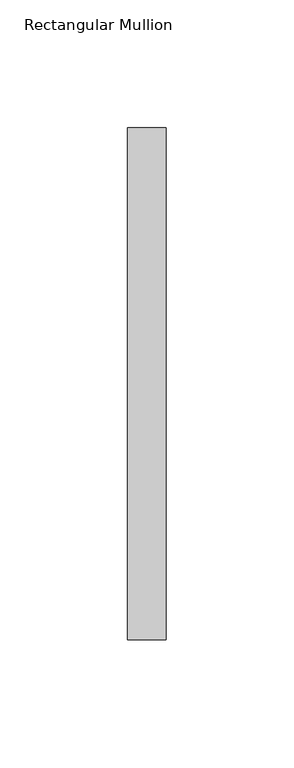
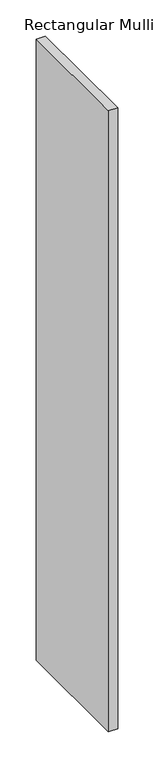
"""IFC4 building model written with IfcOpenShell, lengths in millimetres: member geometry, Rectangular Mullion."""

import ifcopenshell
import ifcopenshell.guid

model = None  # the IFC model being written
_history = None  # IfcOwnerHistory: only IFC2X3 demands one
_inside = {}  # id of a spatial element -> (the spatial element, [elements in it])
_under = {}  # id of a project, library or spatial element -> (it, [spatial elements below it])
_declared = {}  # id of a project -> (the project, [libraries it declares])
_typed = {}  # id of a type object -> (the type object, [elements of that type])
_made_of = {}  # id of a material, layer set ... -> (it, [elements and type objects made of it])


def new_model(schema):
    """Start an empty IFC model of exactly this schema.

    Asked for "IFC4X3", IfcOpenShell would pick the latest addendum, in which some entities
    have other attributes; the version numbers below select the first issue.
    IFC2X3 requires an IfcOwnerHistory on every rooted entity: one is made here for all.
    """
    global model, _history
    if schema == "IFC4X3":
        model = ifcopenshell.file(schema_version=(4, 3, 0, 0))
    else:
        model = ifcopenshell.file(schema=schema)
    _inside.clear()
    _under.clear()
    _declared.clear()
    _typed.clear()
    _made_of.clear()
    _history = None
    if model.schema == "IFC2X3":
        org = make("IfcOrganization", Name="unknown")
        user = make(
            "IfcPersonAndOrganization",
            ThePerson=make("IfcPerson", FamilyName="unknown"),
            TheOrganization=org,
        )
        app = make(
            "IfcApplication",
            ApplicationDeveloper=org,
            Version="unknown",
            ApplicationFullName="unknown",
            ApplicationIdentifier="unknown",
        )
        _history = make(
            "IfcOwnerHistory",
            OwningUser=user,
            OwningApplication=app,
            ChangeAction="ADDED",
            CreationDate=0,
        )
    return model


def make(cls, **values):
    """One entity of the class cls with the attributes given. An attribute that is None is left unset."""
    return model.create_entity(
        cls, **{name: value for name, value in values.items() if value is not None}
    )


def rooted(cls, **values):
    """An entity with a GlobalId (a new one), such as an element, a storey or a relation."""
    return make(cls, GlobalId=ifcopenshell.guid.new(), OwnerHistory=_history, **values)


def si_unit(unit_type, name, prefix=None):
    """IfcSIUnit, for example si_unit("LENGTHUNIT", "METRE", prefix="MILLI")."""
    return make("IfcSIUnit", UnitType=unit_type, Prefix=prefix, Name=name)


def assignment(units):
    """IfcUnitAssignment: the units of a project."""
    return None if units is None else make("IfcUnitAssignment", Units=units)


def point(xyz):
    """IfcCartesianPoint."""
    return None if xyz is None else make("IfcCartesianPoint", Coordinates=xyz)


def direction(xyz):
    """IfcDirection."""
    return None if xyz is None else make("IfcDirection", DirectionRatios=xyz)


def frame(location, z_axis=None, x_axis=None):
    """IfcAxis2Placement3D, a coordinate frame: its origin and axes. An axis left out is left unset."""
    return make(
        "IfcAxis2Placement3D",
        Location=point(location),
        Axis=direction(z_axis),
        RefDirection=direction(x_axis),
    )


def origin():
    """The frame at (0, 0, 0) with its axes left unset."""
    return frame((0.0, 0.0, 0.0))


def place(relative_to, where):
    """IfcLocalPlacement: puts the frame where relative to a parent placement (None: the world)."""
    return make(
        "IfcLocalPlacement", PlacementRelTo=relative_to, RelativePlacement=where
    )


def context(
    kind, dimensions, precision=None, world=None, true_north=None, identifier=None
):
    """IfcGeometricRepresentationContext, for example the 3D "Model" context."""
    return make(
        "IfcGeometricRepresentationContext",
        ContextIdentifier=identifier,
        ContextType=kind,
        CoordinateSpaceDimension=dimensions,
        Precision=precision,
        WorldCoordinateSystem=world,
        TrueNorth=true_north,
    )


def project(units=None, contexts=None):
    """IfcProject with its units and contexts."""
    return rooted(
        "IfcProject",
        Name="project",
        RepresentationContexts=contexts,
        UnitsInContext=assignment(units),
    )


def spatial(cls, under=None, at=None, **own):
    """A site, building, storey or space (cls), placed at a placement, below another one or the project."""
    s = rooted(cls, ObjectPlacement=at, **own)
    if under is not None:
        _under.setdefault(under.id(), (under, []))[1].append(s)
    return s


def polyline(points):
    """IfcPolyline through the points."""
    return make("IfcPolyline", Points=[point(p) for p in points])


def outline(outer, holes=None, kind="AREA"):
    """IfcArbitraryClosedProfileDef: a profile drawn as a closed curve; with holes, ...WithVoids."""
    if holes is None:
        return make("IfcArbitraryClosedProfileDef", ProfileType=kind, OuterCurve=outer)
    return make(
        "IfcArbitraryProfileDefWithVoids",
        ProfileType=kind,
        OuterCurve=outer,
        InnerCurves=holes,
    )


def extrude(swept, where, along, depth):
    """IfcExtrudedAreaSolid: the profile swept, set in the frame where, extruded along a direction by depth."""
    return make(
        "IfcExtrudedAreaSolid",
        SweptArea=swept,
        Position=where,
        ExtrudedDirection=direction(along),
        Depth=depth,
    )


def shape(context_of_items, identifier, shape_type, items):
    """IfcShapeRepresentation: the items that make up one representation, for example the "Body"."""
    return make(
        "IfcShapeRepresentation",
        ContextOfItems=context_of_items,
        RepresentationIdentifier=identifier,
        RepresentationType=shape_type,
        Items=items,
    )


def source(mapping_origin, context_of_items, identifier, shape_type, items):
    """IfcRepresentationMap: a shape defined once, which mapped items show again and again."""
    return make(
        "IfcRepresentationMap",
        MappingOrigin=mapping_origin,
        MappedRepresentation=shape(context_of_items, identifier, shape_type, items),
    )


def transform(
    local_origin,
    x_axis=None,
    y_axis=None,
    z_axis=None,
    scale=None,
    scale2=None,
    scale3=None,
    uniform=True,
):
    """IfcCartesianTransformationOperator3D, or its non-uniform kind. x_axis, y_axis, z_axis: its Axis1, 2, 3."""
    if uniform:
        return make(
            "IfcCartesianTransformationOperator3D",
            Axis1=direction(x_axis),
            Axis2=direction(y_axis),
            LocalOrigin=point(local_origin),
            Scale=scale,
            Axis3=direction(z_axis),
        )
    return make(
        "IfcCartesianTransformationOperator3DnonUniform",
        Axis1=direction(x_axis),
        Axis2=direction(y_axis),
        LocalOrigin=point(local_origin),
        Scale=scale,
        Axis3=direction(z_axis),
        Scale2=scale2,
        Scale3=scale3,
    )


def mapped(mapping_source, mapping_target):
    """IfcMappedItem: shows the shape of a source again, moved by a transform."""
    return make(
        "IfcMappedItem", MappingSource=mapping_source, MappingTarget=mapping_target
    )


def made_of(thing, what):
    """Note that an element or type object is made of a material, layer set ...; save() writes the relation."""
    if what is not None:
        _made_of.setdefault(what.id(), (what, []))[1].append(thing)
    return thing


def element(
    cls,
    number,
    at=None,
    inside=None,
    cuts=None,
    type_object=None,
    material=None,
    context=None,
    identifier="Body",
    shape_type=None,
    held_by="IfcProductDefinitionShape",
    body=None,
    shapes=None,
    **own,
):
    """One element of the class cls, such as IfcWall. Its Tag is "e" and its number.

    at: its placement. inside: the storey or other place that contains it. cuts: it is an
    opening in that element (IfcRelVoidsElement). A single representation is given by context,
    identifier, shape_type and body (its items); several are given by shapes. held_by: the class
    of the entity that holds the representations. save() writes the other relations.
    """
    e = rooted(cls, Tag="e%d" % number, ObjectPlacement=at, **own)
    if body is not None:
        shapes = [shape(context, identifier, shape_type, body)]
    if shapes is not None:
        e.Representation = make(held_by, Representations=shapes)
    if inside is not None:
        _inside.setdefault(inside.id(), (inside, []))[1].append(e)
    if cuts is not None:
        rooted(
            "IfcRelVoidsElement", RelatingBuildingElement=cuts, RelatedOpeningElement=e
        )
    if type_object is not None:
        _typed.setdefault(type_object.id(), (type_object, []))[1].append(e)
    return made_of(e, material)


def aggregate(whole, parts):
    """IfcRelAggregates: a whole, such as a stair, and the parts it consists of."""
    return rooted("IfcRelAggregates", RelatingObject=whole, RelatedObjects=parts)


def save(model, path):
    """Write the relations noted so far, then the file.

    IfcRelAggregates (storeys below a building ...), IfcRelContainedInSpatialStructure (elements
    in a storey), IfcRelDefinesByType, IfcRelAssociatesMaterial and IfcRelDeclares: one each for
    every whole, place, type object, material and project.
    """
    for whole, parts in _under.values():
        aggregate(whole, parts)
    for where, things in _inside.values():
        rooted(
            "IfcRelContainedInSpatialStructure",
            RelatedElements=things,
            RelatingStructure=where,
        )
    for kind, things in _typed.values():
        rooted("IfcRelDefinesByType", RelatedObjects=things, RelatingType=kind)
    for what, things in _made_of.values():
        rooted("IfcRelAssociatesMaterial", RelatedObjects=things, RelatingMaterial=what)
    for by, libraries in _declared.values():
        rooted("IfcRelDeclares", RelatingContext=by, RelatedDefinitions=libraries)
    model.write(path)


def rectangular_mullion_5f3223d6(model_context):
    return source(origin(), model_context, "Body", "SweptSolid", [
        extrude(outline(polyline([(0.0, -53.0), (0.0, -253.0), (-15.0, -253.0), (-15.0, -53.0), (0.0, -53.0)])), frame((0.0, 0.0, -1050.0008868), z_axis=(0.0, 0.0, 1.0), x_axis=(1.0, 0.0, 0.0)), (0.0, 0.0, 1.0), 1050.0008868),
    ])


if __name__ == "__main__":
    model = new_model("IFC4")
    model_context = context("Model", 3, world=origin())
    ifc_project = project(units=[si_unit("LENGTHUNIT", "METRE", prefix="MILLI")], contexts=[model_context])
    site = spatial("IfcSite", under=ifc_project)
    building = spatial("IfcBuilding", under=site)
    placement = place(None, origin())
    rectangular_mullion_shape = rectangular_mullion_5f3223d6(model_context)
    element("IfcMember", 1, ObjectType="Rectangular Mullion", at=placement, inside=building, context=model_context, shape_type="MappedRepresentation", body=[
        mapped(rectangular_mullion_shape, transform((0.0, 0.0, 0.0), x_axis=(1.0, 0.0, 0.0), y_axis=(0.0, 1.0, 0.0), z_axis=(0.0, 0.0, 1.0))),
    ])
    save(model, "model.ifc")
